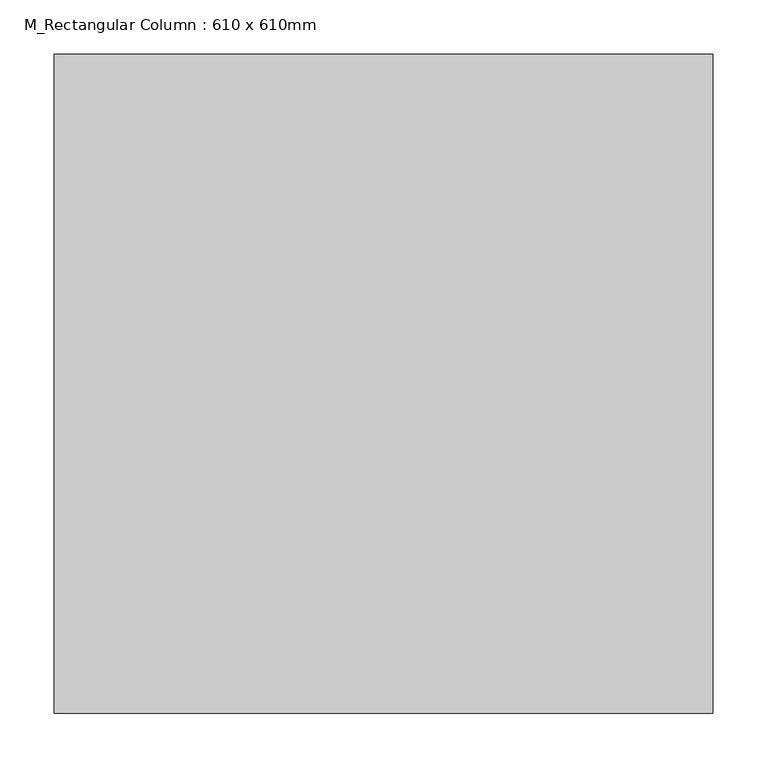
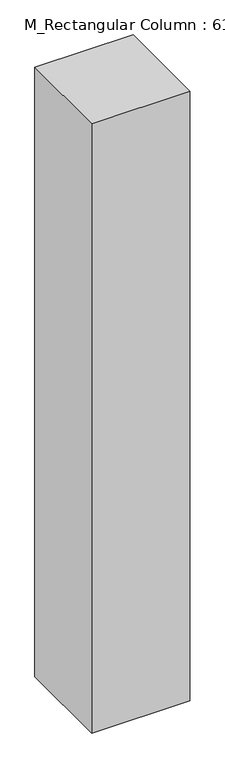
"""IFC4 building model written with IfcOpenShell, lengths in millimetres: column geometry, M_Rectangular Column : 610 x 610mm."""

from ifc_helpers import new_model, si_unit, frame, origin, place, context, project, spatial, polyline, outline, extrude, source, transform, mapped, element, save


def m_rectangular_column_610_x_610mm_c26eb515(model_context):
    return source(origin(), model_context, "Body", "SweptSolid", [
        extrude(outline(polyline([(305.0, 305.0), (305.0, -305.0), (-305.0, -305.0), (-305.0, 305.0), (305.0, 305.0)])), frame((0.0, 0.0, 26000.0), z_axis=(0.0, 0.0, 1.0), x_axis=(1.0, 0.0, 0.0)), (0.0, 0.0, 1.0), 4000.0),
    ])


if __name__ == "__main__":
    model = new_model("IFC4")
    model_context = context("Model", 3, world=origin())
    ifc_project = project(units=[si_unit("LENGTHUNIT", "METRE", prefix="MILLI")], contexts=[model_context])
    site = spatial("IfcSite", under=ifc_project)
    building = spatial("IfcBuilding", under=site)
    placement = place(None, origin())
    m_rectangular_column_610_x_610mm_shape = m_rectangular_column_610_x_610mm_c26eb515(model_context)
    element("IfcColumn", 1, ObjectType="M_Rectangular Column : 610 x 610mm", at=placement, inside=building, context=model_context, shape_type="MappedRepresentation", body=[
        mapped(m_rectangular_column_610_x_610mm_shape, transform((0.0, 0.0, 0.0), x_axis=(1.0, 0.0, 0.0), y_axis=(0.0, 1.0, 0.0), z_axis=(0.0, 0.0, 1.0))),
    ])
    save(model, "model.ifc")
